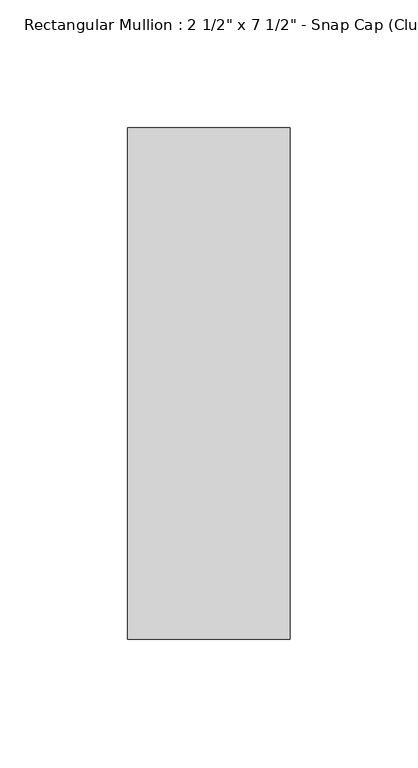
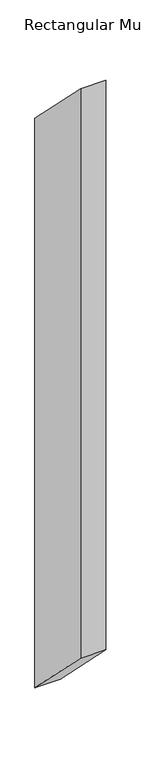
"""IFC4 building model written with IfcOpenShell, lengths in millimetres: member geometry."""

import ifcopenshell
import ifcopenshell.guid

model = None  # the IFC model being written
_history = None  # IfcOwnerHistory: only IFC2X3 demands one
_inside = {}  # id of a spatial element -> (the spatial element, [elements in it])
_under = {}  # id of a project, library or spatial element -> (it, [spatial elements below it])
_declared = {}  # id of a project -> (the project, [libraries it declares])
_typed = {}  # id of a type object -> (the type object, [elements of that type])
_made_of = {}  # id of a material, layer set ... -> (it, [elements and type objects made of it])


def new_model(schema):
    """Start an empty IFC model of exactly this schema.

    Asked for "IFC4X3", IfcOpenShell would pick the latest addendum, in which some entities
    have other attributes; the version numbers below select the first issue.
    IFC2X3 requires an IfcOwnerHistory on every rooted entity: one is made here for all.
    """
    global model, _history
    if schema == "IFC4X3":
        model = ifcopenshell.file(schema_version=(4, 3, 0, 0))
    else:
        model = ifcopenshell.file(schema=schema)
    _inside.clear()
    _under.clear()
    _declared.clear()
    _typed.clear()
    _made_of.clear()
    _history = None
    if model.schema == "IFC2X3":
        org = make("IfcOrganization", Name="unknown")
        user = make(
            "IfcPersonAndOrganization",
            ThePerson=make("IfcPerson", FamilyName="unknown"),
            TheOrganization=org,
        )
        app = make(
            "IfcApplication",
            ApplicationDeveloper=org,
            Version="unknown",
            ApplicationFullName="unknown",
            ApplicationIdentifier="unknown",
        )
        _history = make(
            "IfcOwnerHistory",
            OwningUser=user,
            OwningApplication=app,
            ChangeAction="ADDED",
            CreationDate=0,
        )
    return model


def make(cls, **values):
    """One entity of the class cls with the attributes given. An attribute that is None is left unset."""
    return model.create_entity(
        cls, **{name: value for name, value in values.items() if value is not None}
    )


def rooted(cls, **values):
    """An entity with a GlobalId (a new one), such as an element, a storey or a relation."""
    return make(cls, GlobalId=ifcopenshell.guid.new(), OwnerHistory=_history, **values)


def si_unit(unit_type, name, prefix=None):
    """IfcSIUnit, for example si_unit("LENGTHUNIT", "METRE", prefix="MILLI")."""
    return make("IfcSIUnit", UnitType=unit_type, Prefix=prefix, Name=name)


def assignment(units):
    """IfcUnitAssignment: the units of a project."""
    return None if units is None else make("IfcUnitAssignment", Units=units)


def point(xyz):
    """IfcCartesianPoint."""
    return None if xyz is None else make("IfcCartesianPoint", Coordinates=xyz)


def direction(xyz):
    """IfcDirection."""
    return None if xyz is None else make("IfcDirection", DirectionRatios=xyz)


def frame(location, z_axis=None, x_axis=None):
    """IfcAxis2Placement3D, a coordinate frame: its origin and axes. An axis left out is left unset."""
    return make(
        "IfcAxis2Placement3D",
        Location=point(location),
        Axis=direction(z_axis),
        RefDirection=direction(x_axis),
    )


def origin():
    """The frame at (0, 0, 0) with its axes left unset."""
    return frame((0.0, 0.0, 0.0))


def place(relative_to, where):
    """IfcLocalPlacement: puts the frame where relative to a parent placement (None: the world)."""
    return make(
        "IfcLocalPlacement", PlacementRelTo=relative_to, RelativePlacement=where
    )


def context(
    kind, dimensions, precision=None, world=None, true_north=None, identifier=None
):
    """IfcGeometricRepresentationContext, for example the 3D "Model" context."""
    return make(
        "IfcGeometricRepresentationContext",
        ContextIdentifier=identifier,
        ContextType=kind,
        CoordinateSpaceDimension=dimensions,
        Precision=precision,
        WorldCoordinateSystem=world,
        TrueNorth=true_north,
    )


def project(units=None, contexts=None):
    """IfcProject with its units and contexts."""
    return rooted(
        "IfcProject",
        Name="project",
        RepresentationContexts=contexts,
        UnitsInContext=assignment(units),
    )


def spatial(cls, under=None, at=None, **own):
    """A site, building, storey or space (cls), placed at a placement, below another one or the project."""
    s = rooted(cls, ObjectPlacement=at, **own)
    if under is not None:
        _under.setdefault(under.id(), (under, []))[1].append(s)
    return s


def polyline(points):
    """IfcPolyline through the points."""
    return make("IfcPolyline", Points=[point(p) for p in points])


def outline(outer, holes=None, kind="AREA"):
    """IfcArbitraryClosedProfileDef: a profile drawn as a closed curve; with holes, ...WithVoids."""
    if holes is None:
        return make("IfcArbitraryClosedProfileDef", ProfileType=kind, OuterCurve=outer)
    return make(
        "IfcArbitraryProfileDefWithVoids",
        ProfileType=kind,
        OuterCurve=outer,
        InnerCurves=holes,
    )


def extrude(swept, where, along, depth):
    """IfcExtrudedAreaSolid: the profile swept, set in the frame where, extruded along a direction by depth."""
    return make(
        "IfcExtrudedAreaSolid",
        SweptArea=swept,
        Position=where,
        ExtrudedDirection=direction(along),
        Depth=depth,
    )


def shape(context_of_items, identifier, shape_type, items):
    """IfcShapeRepresentation: the items that make up one representation, for example the "Body"."""
    return make(
        "IfcShapeRepresentation",
        ContextOfItems=context_of_items,
        RepresentationIdentifier=identifier,
        RepresentationType=shape_type,
        Items=items,
    )


def source(mapping_origin, context_of_items, identifier, shape_type, items):
    """IfcRepresentationMap: a shape defined once, which mapped items show again and again."""
    return make(
        "IfcRepresentationMap",
        MappingOrigin=mapping_origin,
        MappedRepresentation=shape(context_of_items, identifier, shape_type, items),
    )


def transform(
    local_origin,
    x_axis=None,
    y_axis=None,
    z_axis=None,
    scale=None,
    scale2=None,
    scale3=None,
    uniform=True,
):
    """IfcCartesianTransformationOperator3D, or its non-uniform kind. x_axis, y_axis, z_axis: its Axis1, 2, 3."""
    if uniform:
        return make(
            "IfcCartesianTransformationOperator3D",
            Axis1=direction(x_axis),
            Axis2=direction(y_axis),
            LocalOrigin=point(local_origin),
            Scale=scale,
            Axis3=direction(z_axis),
        )
    return make(
        "IfcCartesianTransformationOperator3DnonUniform",
        Axis1=direction(x_axis),
        Axis2=direction(y_axis),
        LocalOrigin=point(local_origin),
        Scale=scale,
        Axis3=direction(z_axis),
        Scale2=scale2,
        Scale3=scale3,
    )


def mapped(mapping_source, mapping_target):
    """IfcMappedItem: shows the shape of a source again, moved by a transform."""
    return make(
        "IfcMappedItem", MappingSource=mapping_source, MappingTarget=mapping_target
    )


def made_of(thing, what):
    """Note that an element or type object is made of a material, layer set ...; save() writes the relation."""
    if what is not None:
        _made_of.setdefault(what.id(), (what, []))[1].append(thing)
    return thing


def element(
    cls,
    number,
    at=None,
    inside=None,
    cuts=None,
    type_object=None,
    material=None,
    context=None,
    identifier="Body",
    shape_type=None,
    held_by="IfcProductDefinitionShape",
    body=None,
    shapes=None,
    **own,
):
    """One element of the class cls, such as IfcWall. Its Tag is "e" and its number.

    at: its placement. inside: the storey or other place that contains it. cuts: it is an
    opening in that element (IfcRelVoidsElement). A single representation is given by context,
    identifier, shape_type and body (its items); several are given by shapes. held_by: the class
    of the entity that holds the representations. save() writes the other relations.
    """
    e = rooted(cls, Tag="e%d" % number, ObjectPlacement=at, **own)
    if body is not None:
        shapes = [shape(context, identifier, shape_type, body)]
    if shapes is not None:
        e.Representation = make(held_by, Representations=shapes)
    if inside is not None:
        _inside.setdefault(inside.id(), (inside, []))[1].append(e)
    if cuts is not None:
        rooted(
            "IfcRelVoidsElement", RelatingBuildingElement=cuts, RelatedOpeningElement=e
        )
    if type_object is not None:
        _typed.setdefault(type_object.id(), (type_object, []))[1].append(e)
    return made_of(e, material)


def aggregate(whole, parts):
    """IfcRelAggregates: a whole, such as a stair, and the parts it consists of."""
    return rooted("IfcRelAggregates", RelatingObject=whole, RelatedObjects=parts)


def save(model, path):
    """Write the relations noted so far, then the file.

    IfcRelAggregates (storeys below a building ...), IfcRelContainedInSpatialStructure (elements
    in a storey), IfcRelDefinesByType, IfcRelAssociatesMaterial and IfcRelDeclares: one each for
    every whole, place, type object, material and project.
    """
    for whole, parts in _under.values():
        aggregate(whole, parts)
    for where, things in _inside.values():
        rooted(
            "IfcRelContainedInSpatialStructure",
            RelatedElements=things,
            RelatingStructure=where,
        )
    for kind, things in _typed.values():
        rooted("IfcRelDefinesByType", RelatedObjects=things, RelatingType=kind)
    for what, things in _made_of.values():
        rooted("IfcRelAssociatesMaterial", RelatedObjects=things, RelatingMaterial=what)
    for by, libraries in _declared.values():
        rooted("IfcRelDeclares", RelatingContext=by, RelatedDefinitions=libraries)
    model.write(path)


def member_8f4781e3(model_context):
    return source(origin(), model_context, "Body", "SweptSolid", [
        extrude(outline(polyline([(-25.8, 25.8), (174.2, -174.2), (174.2, -1693.9690717), (-25.8, -1493.9690717), (-25.8, 25.8)])), frame((-63.5, 0.0, 0.0), z_axis=(1.0, 0.0, 0.0), x_axis=(0.0, 1.0, 0.0)), (0.0, 0.0, 1.0), 63.5),
    ])


if __name__ == "__main__":
    model = new_model("IFC4")
    model_context = context("Model", 3, world=origin())
    ifc_project = project(units=[si_unit("LENGTHUNIT", "METRE", prefix="MILLI")], contexts=[model_context])
    site = spatial("IfcSite", under=ifc_project)
    building = spatial("IfcBuilding", under=site)
    placement = place(None, origin())
    member_shape = member_8f4781e3(model_context)
    element("IfcMember", 1, ObjectType="Rectangular Mullion : 2 1/2\" x 7 1/2\" - Snap Cap (Club)", at=placement, inside=building, context=model_context, shape_type="MappedRepresentation", body=[
        mapped(member_shape, transform((0.0, 0.0, 0.0), x_axis=(1.0, 0.0, 0.0), y_axis=(0.0, 1.0, 0.0), z_axis=(0.0, 0.0, 1.0))),
    ])
    save(model, "model.ifc")
